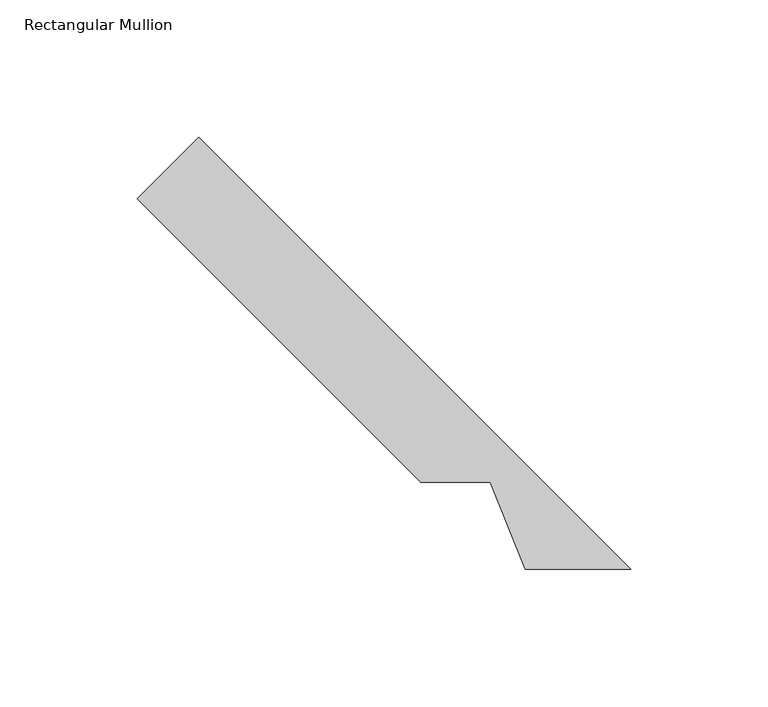
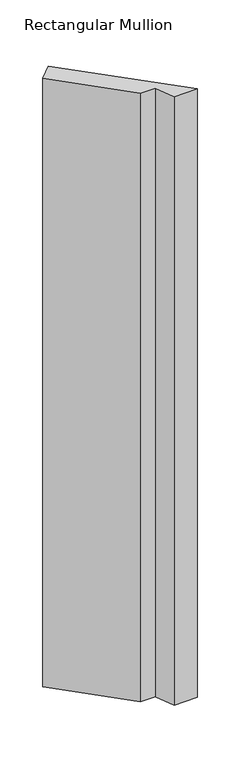
"""IFC4 building model written with IfcOpenShell, lengths in millimetres: member geometry, Rectangular Mullion."""

from ifc_helpers import new_model, si_unit, frame, origin, place, context, project, spatial, polyline, outline, extrude, source, transform, mapped, element, save


def rectangular_mullion_9dfc5f4b(model_context):
    return source(origin(), model_context, "Body", "SweptSolid", [
        extrude(outline(polyline([(-19.84375, 19.84375), (-58.2810256, 19.84375), (-71.1088583, 51.59375), (-96.4950306, 51.59375), (-199.7859365, 154.8846559), (-177.3352962, 177.3352962), (-19.84375, 19.84375)])), frame((0.0, 0.0, -1074.8137371), z_axis=(0.0, 0.0, 1.0), x_axis=(1.0, 0.0, 0.0)), (0.0, 0.0, 1.0), 1074.8137371),
    ])


if __name__ == "__main__":
    model = new_model("IFC4")
    model_context = context("Model", 3, world=origin())
    ifc_project = project(units=[si_unit("LENGTHUNIT", "METRE", prefix="MILLI")], contexts=[model_context])
    site = spatial("IfcSite", under=ifc_project)
    building = spatial("IfcBuilding", under=site)
    placement = place(None, origin())
    rectangular_mullion_shape = rectangular_mullion_9dfc5f4b(model_context)
    element("IfcMember", 1, ObjectType="Rectangular Mullion", at=placement, inside=building, context=model_context, shape_type="MappedRepresentation", body=[
        mapped(rectangular_mullion_shape, transform((0.0, 0.0, 0.0), x_axis=(1.0, 0.0, 0.0), y_axis=(0.0, 1.0, 0.0), z_axis=(0.0, 0.0, 1.0))),
    ])
    save(model, "model.ifc")
